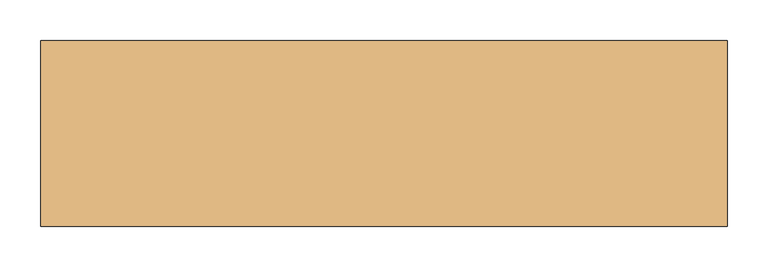
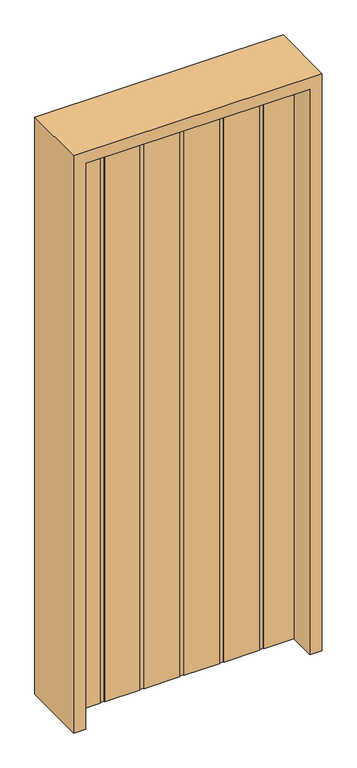
"""IFC4 building model written with IfcOpenShell, lengths in millimetres: door geometry."""

from ifc_helpers import new_model, si_unit, frame, origin, origin_with_axes, place, context, project, spatial, polyline, outline, extrude, source, transform, mapped, element, save


def door_b77081db(model_context):
    return source(origin(), model_context, "Body", "SweptSolid", [
        extrude(outline(polyline([(-381.0, -20.6375), (-381.0, 20.6375), (-278.9039063, 20.6375), (-278.9039063, 17.4625), (-263.6242188, 17.4625), (-263.6242188, 20.6375), (-143.271875, 20.6375), (-143.271875, 17.4625), (-127.9921875, 17.4625), (-127.9921875, 20.6375), (-7.6398438, 20.6375), (-7.6398438, 17.4625), (7.6398437, 17.4625), (7.6398437, 20.6375), (127.9921875, 20.6375), (127.9921875, 17.4625), (143.271875, 17.4625), (143.271875, 20.6375), (263.6242187, 20.6375), (263.6242187, 17.4625), (278.9039062, 17.4625), (278.9039062, 20.6375), (381.0, 20.6375), (381.0, -20.6375), (278.9039062, -20.6375), (278.9039062, -17.4625), (263.6242187, -17.4625), (263.6242187, -20.6375), (143.271875, -20.6375), (143.271875, -17.4625), (127.9921875, -17.4625), (127.9921875, -20.6375), (7.6398437, -20.6375), (7.6398437, -17.4625), (-7.6398438, -17.4625), (-7.6398438, -20.6375), (-127.9921875, -20.6375), (-127.9921875, -17.4625), (-143.271875, -17.4625), (-143.271875, -20.6375), (-263.6242188, -20.6375), (-263.6242188, -17.4625), (-278.9039063, -17.4625), (-278.9039063, -20.6375), (-381.0, -20.6375)])), origin_with_axes(), (0.0, 0.0, 1.0), 2032.0),
        extrude(outline(polyline([(2073.275, -422.275), (0.0, -422.275), (0.0, -381.0), (2032.0, -381.0), (2032.0, 381.0), (0.0, 381.0), (0.0, 422.275), (2073.275, 422.275), (2073.275, -422.275)])), frame((0.0, -114.3, 0.0), z_axis=(0.0, 1.0, 0.0), x_axis=(0.0, 0.0, 1.0)), (0.0, 0.0, 1.0), 228.6),
    ])


if __name__ == "__main__":
    model = new_model("IFC4")
    model_context = context("Model", 3, world=origin())
    ifc_project = project(units=[si_unit("LENGTHUNIT", "METRE", prefix="MILLI")], contexts=[model_context])
    site = spatial("IfcSite", under=ifc_project)
    building = spatial("IfcBuilding", under=site)
    placement = place(None, origin())
    door_shape = door_b77081db(model_context)
    element("IfcDoor", 1, at=placement, inside=building, context=model_context, shape_type="MappedRepresentation", body=[
        mapped(door_shape, transform((0.0, 0.0, 0.0), x_axis=(1.0, 0.0, 0.0), y_axis=(0.0, 1.0, 0.0), z_axis=(0.0, 0.0, 1.0))),
    ])
    save(model, "model.ifc")
